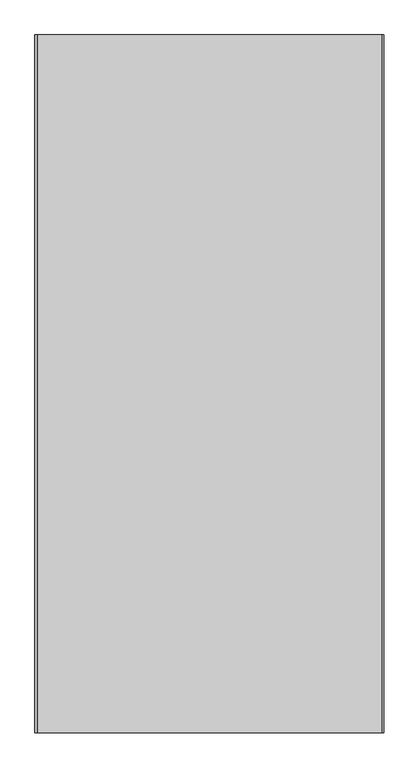
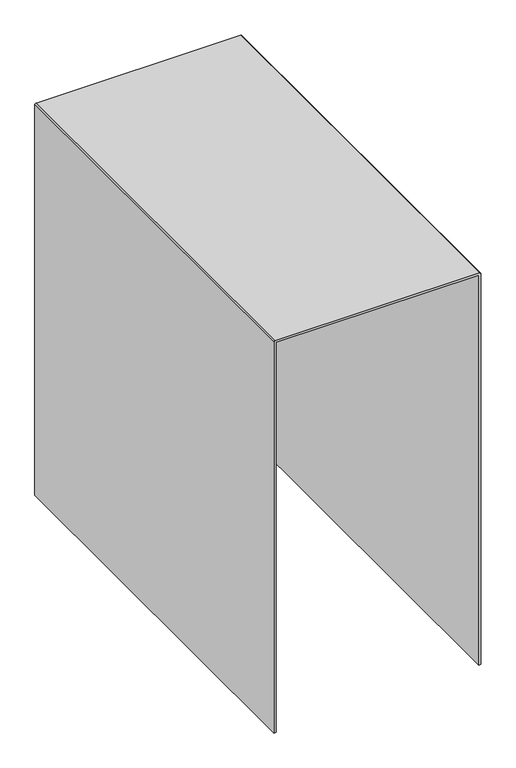
"""IFC4 building model written with IfcOpenShell, lengths in millimetres: light fixture geometry."""

from ifc_helpers import new_model, si_unit, point, frame, frame_2d, origin, place, context, project, spatial, polyline, circle_curve, trimmed, segment, composite_curve, outline, extrude, source, transform, mapped, element, save


def light_fixture_92a2fe19(model_context):
    return source(origin(), model_context, "Body", "SweptSolid", [
        extrude(outline(composite_curve([segment(polyline([(0.0, -245.0), (995.0, -245.0), (995.0, 245.0), (0.0, 245.0), (0.0, 250.0), (997.0, 250.0)]), True, "CONTINUOUS"), segment(trimmed(circle_curve(frame_2d((997.0, 247.0)), 3.0), [point((997.0, 250.0))], [point((1000.0, 247.0))], False, "CARTESIAN"), True, "CONTINUOUS"), segment(polyline([(1000.0, 247.0), (1000.0, -247.0)]), True, "CONTINUOUS"), segment(trimmed(circle_curve(frame_2d((997.0, -247.0)), 3.0), [point((1000.0, -247.0))], [point((997.0, -250.0))], False, "CARTESIAN"), True, "CONTINUOUS"), segment(polyline([(997.0, -250.0), (0.0, -250.0), (0.0, -245.0)]), True, "CONTINUOUS")], self_intersect=False)), frame((0.0, 0.0, 0.0), z_axis=(0.0, 1.0, 0.0), x_axis=(0.0, 0.0, 1.0)), (0.0, 0.0, 1.0), 1000.0),
    ])


if __name__ == "__main__":
    model = new_model("IFC4")
    model_context = context("Model", 3, world=origin())
    ifc_project = project(units=[si_unit("LENGTHUNIT", "METRE", prefix="MILLI")], contexts=[model_context])
    site = spatial("IfcSite", under=ifc_project)
    building = spatial("IfcBuilding", under=site)
    placement = place(None, origin())
    light_fixture_shape = light_fixture_92a2fe19(model_context)
    element("IfcLightFixture", 1, at=placement, inside=building, context=model_context, shape_type="MappedRepresentation", body=[
        mapped(light_fixture_shape, transform((0.0, 0.0, 0.0), x_axis=(1.0, 0.0, 0.0), y_axis=(0.0, 1.0, 0.0), z_axis=(0.0, 0.0, 1.0))),
    ])
    save(model, "model.ifc")
